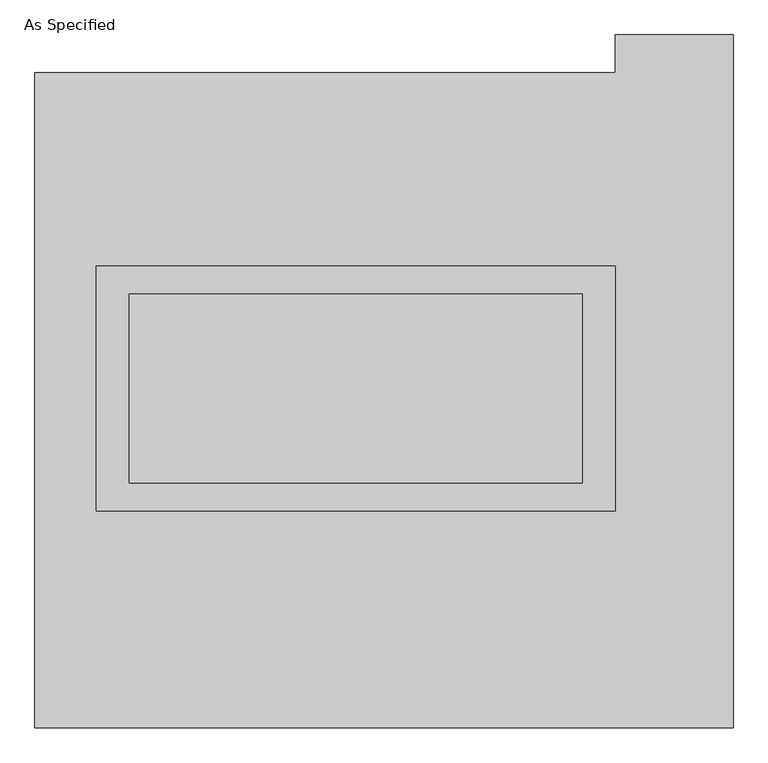
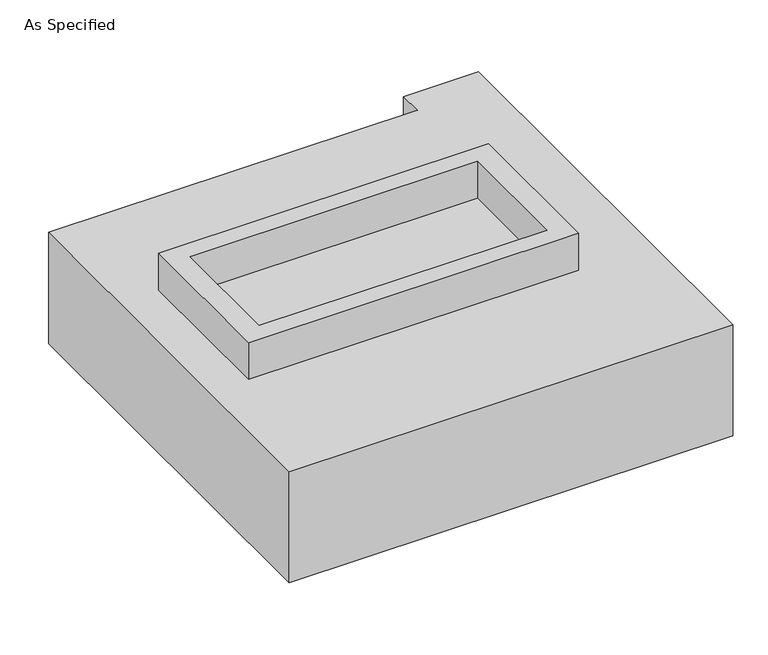
"""IFC4 building model written with IfcOpenShell, lengths in millimetres: proxy geometry, As Specified."""

import ifcopenshell
import ifcopenshell.guid

model = None  # the IFC model being written
_history = None  # IfcOwnerHistory: only IFC2X3 demands one
_inside = {}  # id of a spatial element -> (the spatial element, [elements in it])
_under = {}  # id of a project, library or spatial element -> (it, [spatial elements below it])
_declared = {}  # id of a project -> (the project, [libraries it declares])
_typed = {}  # id of a type object -> (the type object, [elements of that type])
_made_of = {}  # id of a material, layer set ... -> (it, [elements and type objects made of it])


def new_model(schema):
    """Start an empty IFC model of exactly this schema.

    Asked for "IFC4X3", IfcOpenShell would pick the latest addendum, in which some entities
    have other attributes; the version numbers below select the first issue.
    IFC2X3 requires an IfcOwnerHistory on every rooted entity: one is made here for all.
    """
    global model, _history
    if schema == "IFC4X3":
        model = ifcopenshell.file(schema_version=(4, 3, 0, 0))
    else:
        model = ifcopenshell.file(schema=schema)
    _inside.clear()
    _under.clear()
    _declared.clear()
    _typed.clear()
    _made_of.clear()
    _history = None
    if model.schema == "IFC2X3":
        org = make("IfcOrganization", Name="unknown")
        user = make(
            "IfcPersonAndOrganization",
            ThePerson=make("IfcPerson", FamilyName="unknown"),
            TheOrganization=org,
        )
        app = make(
            "IfcApplication",
            ApplicationDeveloper=org,
            Version="unknown",
            ApplicationFullName="unknown",
            ApplicationIdentifier="unknown",
        )
        _history = make(
            "IfcOwnerHistory",
            OwningUser=user,
            OwningApplication=app,
            ChangeAction="ADDED",
            CreationDate=0,
        )
    return model


def make(cls, **values):
    """One entity of the class cls with the attributes given. An attribute that is None is left unset."""
    return model.create_entity(
        cls, **{name: value for name, value in values.items() if value is not None}
    )


def rooted(cls, **values):
    """An entity with a GlobalId (a new one), such as an element, a storey or a relation."""
    return make(cls, GlobalId=ifcopenshell.guid.new(), OwnerHistory=_history, **values)


def si_unit(unit_type, name, prefix=None):
    """IfcSIUnit, for example si_unit("LENGTHUNIT", "METRE", prefix="MILLI")."""
    return make("IfcSIUnit", UnitType=unit_type, Prefix=prefix, Name=name)


def assignment(units):
    """IfcUnitAssignment: the units of a project."""
    return None if units is None else make("IfcUnitAssignment", Units=units)


def point(xyz):
    """IfcCartesianPoint."""
    return None if xyz is None else make("IfcCartesianPoint", Coordinates=xyz)


def direction(xyz):
    """IfcDirection."""
    return None if xyz is None else make("IfcDirection", DirectionRatios=xyz)


def frame(location, z_axis=None, x_axis=None):
    """IfcAxis2Placement3D, a coordinate frame: its origin and axes. An axis left out is left unset."""
    return make(
        "IfcAxis2Placement3D",
        Location=point(location),
        Axis=direction(z_axis),
        RefDirection=direction(x_axis),
    )


def origin():
    """The frame at (0, 0, 0) with its axes left unset."""
    return frame((0.0, 0.0, 0.0))


def place(relative_to, where):
    """IfcLocalPlacement: puts the frame where relative to a parent placement (None: the world)."""
    return make(
        "IfcLocalPlacement", PlacementRelTo=relative_to, RelativePlacement=where
    )


def context(
    kind, dimensions, precision=None, world=None, true_north=None, identifier=None
):
    """IfcGeometricRepresentationContext, for example the 3D "Model" context."""
    return make(
        "IfcGeometricRepresentationContext",
        ContextIdentifier=identifier,
        ContextType=kind,
        CoordinateSpaceDimension=dimensions,
        Precision=precision,
        WorldCoordinateSystem=world,
        TrueNorth=true_north,
    )


def project(units=None, contexts=None):
    """IfcProject with its units and contexts."""
    return rooted(
        "IfcProject",
        Name="project",
        RepresentationContexts=contexts,
        UnitsInContext=assignment(units),
    )


def spatial(cls, under=None, at=None, **own):
    """A site, building, storey or space (cls), placed at a placement, below another one or the project."""
    s = rooted(cls, ObjectPlacement=at, **own)
    if under is not None:
        _under.setdefault(under.id(), (under, []))[1].append(s)
    return s


def polyline(points):
    """IfcPolyline through the points."""
    return make("IfcPolyline", Points=[point(p) for p in points])


def outline(outer, holes=None, kind="AREA"):
    """IfcArbitraryClosedProfileDef: a profile drawn as a closed curve; with holes, ...WithVoids."""
    if holes is None:
        return make("IfcArbitraryClosedProfileDef", ProfileType=kind, OuterCurve=outer)
    return make(
        "IfcArbitraryProfileDefWithVoids",
        ProfileType=kind,
        OuterCurve=outer,
        InnerCurves=holes,
    )


def extrude(swept, where, along, depth):
    """IfcExtrudedAreaSolid: the profile swept, set in the frame where, extruded along a direction by depth."""
    return make(
        "IfcExtrudedAreaSolid",
        SweptArea=swept,
        Position=where,
        ExtrudedDirection=direction(along),
        Depth=depth,
    )


def shape(context_of_items, identifier, shape_type, items):
    """IfcShapeRepresentation: the items that make up one representation, for example the "Body"."""
    return make(
        "IfcShapeRepresentation",
        ContextOfItems=context_of_items,
        RepresentationIdentifier=identifier,
        RepresentationType=shape_type,
        Items=items,
    )


def source(mapping_origin, context_of_items, identifier, shape_type, items):
    """IfcRepresentationMap: a shape defined once, which mapped items show again and again."""
    return make(
        "IfcRepresentationMap",
        MappingOrigin=mapping_origin,
        MappedRepresentation=shape(context_of_items, identifier, shape_type, items),
    )


def transform(
    local_origin,
    x_axis=None,
    y_axis=None,
    z_axis=None,
    scale=None,
    scale2=None,
    scale3=None,
    uniform=True,
):
    """IfcCartesianTransformationOperator3D, or its non-uniform kind. x_axis, y_axis, z_axis: its Axis1, 2, 3."""
    if uniform:
        return make(
            "IfcCartesianTransformationOperator3D",
            Axis1=direction(x_axis),
            Axis2=direction(y_axis),
            LocalOrigin=point(local_origin),
            Scale=scale,
            Axis3=direction(z_axis),
        )
    return make(
        "IfcCartesianTransformationOperator3DnonUniform",
        Axis1=direction(x_axis),
        Axis2=direction(y_axis),
        LocalOrigin=point(local_origin),
        Scale=scale,
        Axis3=direction(z_axis),
        Scale2=scale2,
        Scale3=scale3,
    )


def mapped(mapping_source, mapping_target):
    """IfcMappedItem: shows the shape of a source again, moved by a transform."""
    return make(
        "IfcMappedItem", MappingSource=mapping_source, MappingTarget=mapping_target
    )


def made_of(thing, what):
    """Note that an element or type object is made of a material, layer set ...; save() writes the relation."""
    if what is not None:
        _made_of.setdefault(what.id(), (what, []))[1].append(thing)
    return thing


def element(
    cls,
    number,
    at=None,
    inside=None,
    cuts=None,
    type_object=None,
    material=None,
    context=None,
    identifier="Body",
    shape_type=None,
    held_by="IfcProductDefinitionShape",
    body=None,
    shapes=None,
    **own,
):
    """One element of the class cls, such as IfcWall. Its Tag is "e" and its number.

    at: its placement. inside: the storey or other place that contains it. cuts: it is an
    opening in that element (IfcRelVoidsElement). A single representation is given by context,
    identifier, shape_type and body (its items); several are given by shapes. held_by: the class
    of the entity that holds the representations. save() writes the other relations.
    """
    e = rooted(cls, Tag="e%d" % number, ObjectPlacement=at, **own)
    if body is not None:
        shapes = [shape(context, identifier, shape_type, body)]
    if shapes is not None:
        e.Representation = make(held_by, Representations=shapes)
    if inside is not None:
        _inside.setdefault(inside.id(), (inside, []))[1].append(e)
    if cuts is not None:
        rooted(
            "IfcRelVoidsElement", RelatingBuildingElement=cuts, RelatedOpeningElement=e
        )
    if type_object is not None:
        _typed.setdefault(type_object.id(), (type_object, []))[1].append(e)
    return made_of(e, material)


def aggregate(whole, parts):
    """IfcRelAggregates: a whole, such as a stair, and the parts it consists of."""
    return rooted("IfcRelAggregates", RelatingObject=whole, RelatedObjects=parts)


def save(model, path):
    """Write the relations noted so far, then the file.

    IfcRelAggregates (storeys below a building ...), IfcRelContainedInSpatialStructure (elements
    in a storey), IfcRelDefinesByType, IfcRelAssociatesMaterial and IfcRelDeclares: one each for
    every whole, place, type object, material and project.
    """
    for whole, parts in _under.values():
        aggregate(whole, parts)
    for where, things in _inside.values():
        rooted(
            "IfcRelContainedInSpatialStructure",
            RelatedElements=things,
            RelatingStructure=where,
        )
    for kind, things in _typed.values():
        rooted("IfcRelDefinesByType", RelatedObjects=things, RelatingType=kind)
    for what, things in _made_of.values():
        rooted("IfcRelAssociatesMaterial", RelatedObjects=things, RelatingMaterial=what)
    for by, libraries in _declared.values():
        rooted("IfcRelDeclares", RelatingContext=by, RelatedDefinitions=libraries)
    model.write(path)


def as_specified_8896698b(model_context):
    return source(origin(), model_context, "Body", "SweptSolid", [
        extrude(outline(polyline([(698.5, 361.95), (698.5, -298.45), (-698.5, -298.45), (-698.5, 361.95), (698.5, 361.95)]), holes=[polyline([(609.6, 285.75), (-609.6, 285.75), (-609.6, -222.25), (609.6, -222.25), (609.6, 285.75)])]), frame((0.0, 0.0, -688.975), z_axis=(0.0, 0.0, 1.0), x_axis=(1.0, 0.0, 0.0)), (0.0, 0.0, 1.0), 165.1),
        extrude(outline(polyline([(698.5, 361.95), (698.5, -298.45), (-698.5, -298.45), (-698.5, 361.95), (698.5, 361.95)]), holes=[polyline([(609.6, 285.75), (-609.6, 285.75), (-609.6, -222.25), (609.6, -222.25), (609.6, 285.75)])]), frame((0.0, 0.0, -25.4), z_axis=(0.0, 0.0, 1.0), x_axis=(1.0, 0.0, 0.0)), (0.0, 0.0, 1.0), 165.1),
        extrude(outline(polyline([(609.6, 285.75), (609.6, -222.25), (-609.6, -222.25), (-609.6, 285.75), (609.6, 285.75)])), frame((0.0, 0.0, -523.875), z_axis=(0.0, 0.0, 1.0), x_axis=(1.0, 0.0, 0.0)), (0.0, 0.0, 1.0), 4.9609375),
        extrude(outline(polyline([(609.6, 285.75), (609.6, -222.25), (-609.6, -222.25), (-609.6, 285.75), (609.6, 285.75)])), frame((0.0, 0.0, -30.3609375), z_axis=(0.0, 0.0, 1.0), x_axis=(1.0, 0.0, 0.0)), (0.0, 0.0, 1.0), 4.9609375),
        extrude(outline(polyline([(1016.0, -882.65), (-863.6, -882.65), (-863.6, 882.65), (698.5, 882.65), (698.5, 984.25), (1016.0, 984.25), (1016.0, -882.65)]), holes=[polyline([(-698.5, 361.95), (-698.5, -298.45), (698.5, -298.45), (698.5, 361.95), (-698.5, 361.95)])]), frame((0.0, 0.0, -523.875), z_axis=(0.0, 0.0, 1.0), x_axis=(1.0, 0.0, 0.0)), (0.0, 0.0, 1.0), 498.475),
    ])


if __name__ == "__main__":
    model = new_model("IFC4")
    model_context = context("Model", 3, world=origin())
    ifc_project = project(units=[si_unit("LENGTHUNIT", "METRE", prefix="MILLI")], contexts=[model_context])
    site = spatial("IfcSite", under=ifc_project)
    building = spatial("IfcBuilding", under=site)
    placement = place(None, origin())
    as_specified_shape = as_specified_8896698b(model_context)
    element("IfcBuildingElementProxy", 1, Name="As Specified", ObjectType="As Specified", at=placement, inside=building, context=model_context, shape_type="MappedRepresentation", body=[
        mapped(as_specified_shape, transform((0.0, 0.0, 0.0), x_axis=(1.0, 0.0, 0.0), y_axis=(0.0, 1.0, 0.0), z_axis=(0.0, 0.0, 1.0))),
    ])
    save(model, "model.ifc")
